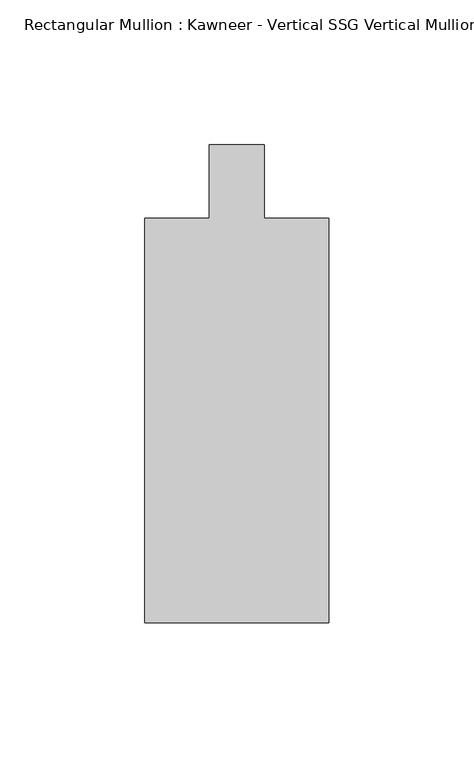
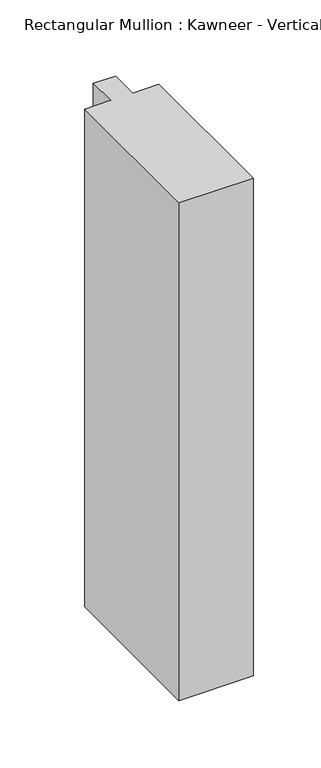
"""IFC4 building model written with IfcOpenShell, lengths in millimetres: member geometry."""

from ifc_helpers import new_model, si_unit, frame, origin, place, context, project, spatial, polyline, outline, extrude, source, transform, mapped, element, save


def member_bc450e73(model_context):
    return source(origin(), model_context, "Body", "SweptSolid", [
        extrude(outline(polyline([(-31.75, -12.7), (-9.5251132, -12.7), (-9.5251132, 12.7), (9.5251132, 12.7), (9.5251132, -12.7), (31.75, -12.7), (31.75, -152.399995), (-31.75, -152.399995), (-31.75, -12.7)])), frame((0.0, 0.0, -450.3603332), z_axis=(0.0, 0.0, 1.0), x_axis=(1.0, 0.0, 0.0)), (0.0, 0.0, 1.0), 450.3603332),
    ])


if __name__ == "__main__":
    model = new_model("IFC4")
    model_context = context("Model", 3, world=origin())
    ifc_project = project(units=[si_unit("LENGTHUNIT", "METRE", prefix="MILLI")], contexts=[model_context])
    site = spatial("IfcSite", under=ifc_project)
    building = spatial("IfcBuilding", under=site)
    placement = place(None, origin())
    member_shape = member_bc450e73(model_context)
    element("IfcMember", 1, ObjectType="Rectangular Mullion : Kawneer - Vertical SSG Vertical Mullion - 7 1/2\"", at=placement, inside=building, context=model_context, shape_type="MappedRepresentation", body=[
        mapped(member_shape, transform((0.0, 0.0, 0.0), x_axis=(1.0, 0.0, 0.0), y_axis=(0.0, 1.0, 0.0), z_axis=(0.0, 0.0, 1.0))),
    ])
    save(model, "model.ifc")
